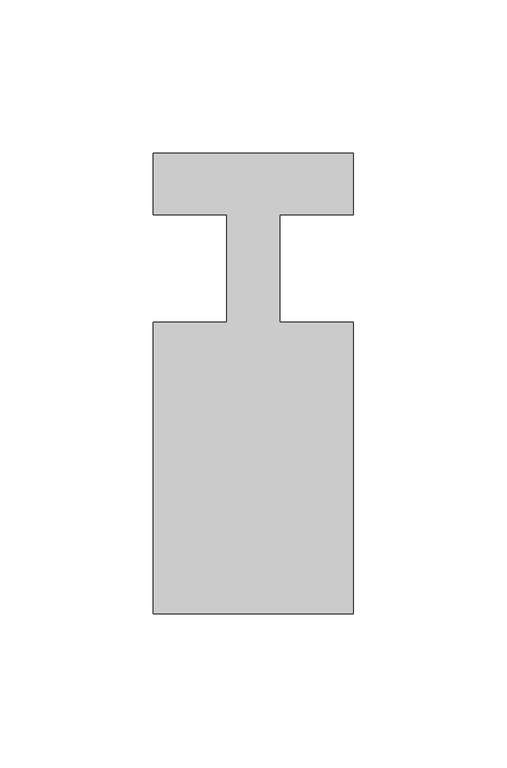
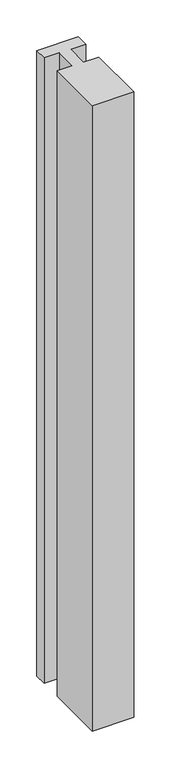
"""IFC4 building model written with IfcOpenShell, lengths in millimetres: member geometry."""

from ifc_helpers import new_model, si_unit, frame, origin, place, context, project, spatial, polyline, outline, extrude, source, transform, mapped, element, save


def member_f36d5276(model_context):
    return source(origin(), model_context, "Body", "SweptSolid", [
        extrude(outline(polyline([(-32.5, 37.0), (32.5, 37.0), (32.5, 17.0), (8.6875, 17.0), (8.6875, -18.0), (32.5, -18.0), (32.5, -113.0), (-32.5, -113.0), (-32.5, -18.0), (-8.6875, -18.0), (-8.6875, 17.0), (-32.5, 17.0), (-32.5, 37.0)])), frame((0.0, 0.0, -1035.0), z_axis=(0.0, 0.0, 1.0), x_axis=(1.0, 0.0, 0.0)), (0.0, 0.0, 1.0), 1035.0),
    ])


if __name__ == "__main__":
    model = new_model("IFC4")
    model_context = context("Model", 3, world=origin())
    ifc_project = project(units=[si_unit("LENGTHUNIT", "METRE", prefix="MILLI")], contexts=[model_context])
    site = spatial("IfcSite", under=ifc_project)
    building = spatial("IfcBuilding", under=site)
    placement = place(None, origin())
    member_shape = member_f36d5276(model_context)
    element("IfcMember", 1, at=placement, inside=building, context=model_context, shape_type="MappedRepresentation", body=[
        mapped(member_shape, transform((0.0, 0.0, 0.0), x_axis=(1.0, 0.0, 0.0), y_axis=(0.0, 1.0, 0.0), z_axis=(0.0, 0.0, 1.0))),
    ])
    save(model, "model.ifc")
